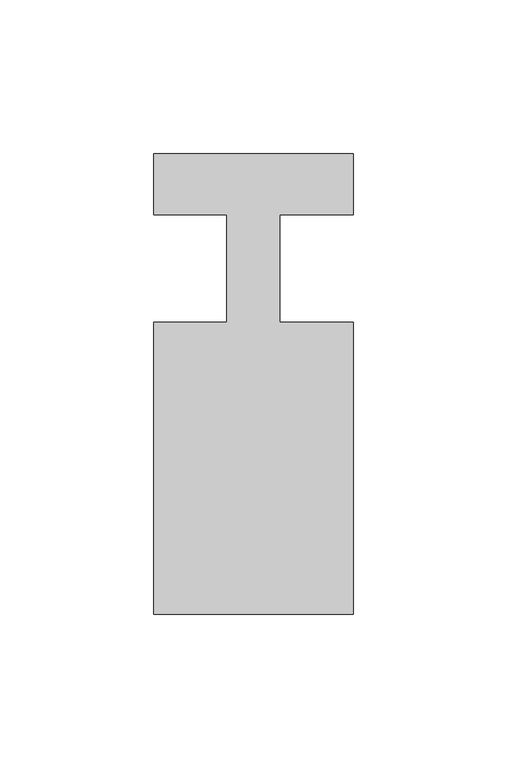
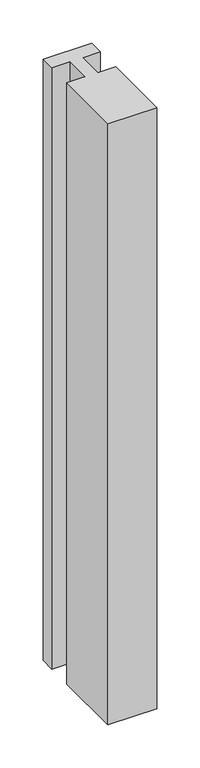
"""IFC4 building model written with IfcOpenShell, lengths in millimetres: member geometry."""

from ifc_helpers import new_model, si_unit, frame, origin, place, context, project, spatial, polyline, outline, extrude, source, transform, mapped, element, save


def member_4bb8eca3(model_context):
    return source(origin(), model_context, "Body", "SweptSolid", [
        extrude(outline(polyline([(-32.5, 37.0), (32.5, 37.0), (32.5, 17.0), (8.6875, 17.0), (8.6875, -18.0), (32.5, -18.0), (32.5, -113.0), (-32.5, -113.0), (-32.5, -18.0), (-8.6875, -18.0), (-8.6875, 17.0), (-32.5, 17.0), (-32.5, 37.0)])), frame((0.0, 0.0, -850.0), z_axis=(0.0, 0.0, 1.0), x_axis=(1.0, 0.0, 0.0)), (0.0, 0.0, 1.0), 850.0),
    ])


if __name__ == "__main__":
    model = new_model("IFC4")
    model_context = context("Model", 3, world=origin())
    ifc_project = project(units=[si_unit("LENGTHUNIT", "METRE", prefix="MILLI")], contexts=[model_context])
    site = spatial("IfcSite", under=ifc_project)
    building = spatial("IfcBuilding", under=site)
    placement = place(None, origin())
    member_shape = member_4bb8eca3(model_context)
    element("IfcMember", 1, at=placement, inside=building, context=model_context, shape_type="MappedRepresentation", body=[
        mapped(member_shape, transform((0.0, 0.0, 0.0), x_axis=(1.0, 0.0, 0.0), y_axis=(0.0, 1.0, 0.0), z_axis=(0.0, 0.0, 1.0))),
    ])
    save(model, "model.ifc")
